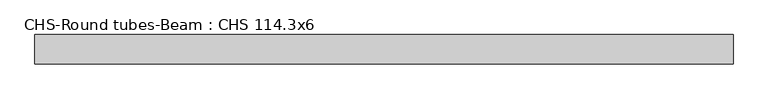
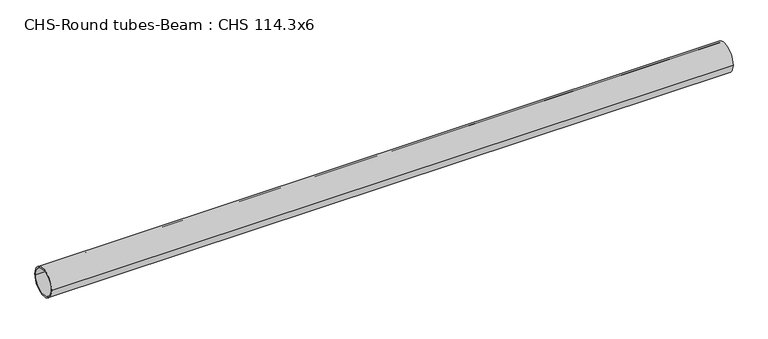
"""IFC4 building model written with IfcOpenShell, lengths in millimetres: beam geometry, CHS-Round tubes-Beam : CHS 114.3x6."""

import ifcopenshell
import ifcopenshell.guid

model = None  # the IFC model being written
_history = None  # IfcOwnerHistory: only IFC2X3 demands one
_inside = {}  # id of a spatial element -> (the spatial element, [elements in it])
_under = {}  # id of a project, library or spatial element -> (it, [spatial elements below it])
_declared = {}  # id of a project -> (the project, [libraries it declares])
_typed = {}  # id of a type object -> (the type object, [elements of that type])
_made_of = {}  # id of a material, layer set ... -> (it, [elements and type objects made of it])


def new_model(schema):
    """Start an empty IFC model of exactly this schema.

    Asked for "IFC4X3", IfcOpenShell would pick the latest addendum, in which some entities
    have other attributes; the version numbers below select the first issue.
    IFC2X3 requires an IfcOwnerHistory on every rooted entity: one is made here for all.
    """
    global model, _history
    if schema == "IFC4X3":
        model = ifcopenshell.file(schema_version=(4, 3, 0, 0))
    else:
        model = ifcopenshell.file(schema=schema)
    _inside.clear()
    _under.clear()
    _declared.clear()
    _typed.clear()
    _made_of.clear()
    _history = None
    if model.schema == "IFC2X3":
        org = make("IfcOrganization", Name="unknown")
        user = make(
            "IfcPersonAndOrganization",
            ThePerson=make("IfcPerson", FamilyName="unknown"),
            TheOrganization=org,
        )
        app = make(
            "IfcApplication",
            ApplicationDeveloper=org,
            Version="unknown",
            ApplicationFullName="unknown",
            ApplicationIdentifier="unknown",
        )
        _history = make(
            "IfcOwnerHistory",
            OwningUser=user,
            OwningApplication=app,
            ChangeAction="ADDED",
            CreationDate=0,
        )
    return model


def make(cls, **values):
    """One entity of the class cls with the attributes given. An attribute that is None is left unset."""
    return model.create_entity(
        cls, **{name: value for name, value in values.items() if value is not None}
    )


def rooted(cls, **values):
    """An entity with a GlobalId (a new one), such as an element, a storey or a relation."""
    return make(cls, GlobalId=ifcopenshell.guid.new(), OwnerHistory=_history, **values)


def si_unit(unit_type, name, prefix=None):
    """IfcSIUnit, for example si_unit("LENGTHUNIT", "METRE", prefix="MILLI")."""
    return make("IfcSIUnit", UnitType=unit_type, Prefix=prefix, Name=name)


def assignment(units):
    """IfcUnitAssignment: the units of a project."""
    return None if units is None else make("IfcUnitAssignment", Units=units)


def point(xyz):
    """IfcCartesianPoint."""
    return None if xyz is None else make("IfcCartesianPoint", Coordinates=xyz)


def direction(xyz):
    """IfcDirection."""
    return None if xyz is None else make("IfcDirection", DirectionRatios=xyz)


def frame(location, z_axis=None, x_axis=None):
    """IfcAxis2Placement3D, a coordinate frame: its origin and axes. An axis left out is left unset."""
    return make(
        "IfcAxis2Placement3D",
        Location=point(location),
        Axis=direction(z_axis),
        RefDirection=direction(x_axis),
    )


def frame_2d(location, x_axis=None):
    """IfcAxis2Placement2D, a coordinate frame in the plane: its origin and x axis."""
    return make(
        "IfcAxis2Placement2D", Location=point(location), RefDirection=direction(x_axis)
    )


def origin():
    """The frame at (0, 0, 0) with its axes left unset."""
    return frame((0.0, 0.0, 0.0))


def origin_2d():
    """The frame at (0, 0) in the plane with its x axis left unset."""
    return frame_2d((0.0, 0.0))


def place(relative_to, where):
    """IfcLocalPlacement: puts the frame where relative to a parent placement (None: the world)."""
    return make(
        "IfcLocalPlacement", PlacementRelTo=relative_to, RelativePlacement=where
    )


def context(
    kind, dimensions, precision=None, world=None, true_north=None, identifier=None
):
    """IfcGeometricRepresentationContext, for example the 3D "Model" context."""
    return make(
        "IfcGeometricRepresentationContext",
        ContextIdentifier=identifier,
        ContextType=kind,
        CoordinateSpaceDimension=dimensions,
        Precision=precision,
        WorldCoordinateSystem=world,
        TrueNorth=true_north,
    )


def project(units=None, contexts=None):
    """IfcProject with its units and contexts."""
    return rooted(
        "IfcProject",
        Name="project",
        RepresentationContexts=contexts,
        UnitsInContext=assignment(units),
    )


def spatial(cls, under=None, at=None, **own):
    """A site, building, storey or space (cls), placed at a placement, below another one or the project."""
    s = rooted(cls, ObjectPlacement=at, **own)
    if under is not None:
        _under.setdefault(under.id(), (under, []))[1].append(s)
    return s


def circle_curve(where, radius):
    """IfcCircle in the frame where."""
    return make("IfcCircle", Position=where, Radius=radius)


def trimmed(basis, trim1, trim2, sense, master):
    """IfcTrimmedCurve: the piece of a basis curve between two trims."""
    return make(
        "IfcTrimmedCurve",
        BasisCurve=basis,
        Trim1=trim1,
        Trim2=trim2,
        SenseAgreement=sense,
        MasterRepresentation=master,
    )


def segment(curve, same_sense, transition):
    """IfcCompositeCurveSegment."""
    return make(
        "IfcCompositeCurveSegment",
        Transition=transition,
        SameSense=same_sense,
        ParentCurve=curve,
    )


def composite_curve(segments, self_intersect=None):
    """IfcCompositeCurve: segments joined end to end."""
    return make("IfcCompositeCurve", Segments=segments, SelfIntersect=self_intersect)


def outline(outer, holes=None, kind="AREA"):
    """IfcArbitraryClosedProfileDef: a profile drawn as a closed curve; with holes, ...WithVoids."""
    if holes is None:
        return make("IfcArbitraryClosedProfileDef", ProfileType=kind, OuterCurve=outer)
    return make(
        "IfcArbitraryProfileDefWithVoids",
        ProfileType=kind,
        OuterCurve=outer,
        InnerCurves=holes,
    )


def extrude(swept, where, along, depth):
    """IfcExtrudedAreaSolid: the profile swept, set in the frame where, extruded along a direction by depth."""
    return make(
        "IfcExtrudedAreaSolid",
        SweptArea=swept,
        Position=where,
        ExtrudedDirection=direction(along),
        Depth=depth,
    )


def shape(context_of_items, identifier, shape_type, items):
    """IfcShapeRepresentation: the items that make up one representation, for example the "Body"."""
    return make(
        "IfcShapeRepresentation",
        ContextOfItems=context_of_items,
        RepresentationIdentifier=identifier,
        RepresentationType=shape_type,
        Items=items,
    )


def source(mapping_origin, context_of_items, identifier, shape_type, items):
    """IfcRepresentationMap: a shape defined once, which mapped items show again and again."""
    return make(
        "IfcRepresentationMap",
        MappingOrigin=mapping_origin,
        MappedRepresentation=shape(context_of_items, identifier, shape_type, items),
    )


def transform(
    local_origin,
    x_axis=None,
    y_axis=None,
    z_axis=None,
    scale=None,
    scale2=None,
    scale3=None,
    uniform=True,
):
    """IfcCartesianTransformationOperator3D, or its non-uniform kind. x_axis, y_axis, z_axis: its Axis1, 2, 3."""
    if uniform:
        return make(
            "IfcCartesianTransformationOperator3D",
            Axis1=direction(x_axis),
            Axis2=direction(y_axis),
            LocalOrigin=point(local_origin),
            Scale=scale,
            Axis3=direction(z_axis),
        )
    return make(
        "IfcCartesianTransformationOperator3DnonUniform",
        Axis1=direction(x_axis),
        Axis2=direction(y_axis),
        LocalOrigin=point(local_origin),
        Scale=scale,
        Axis3=direction(z_axis),
        Scale2=scale2,
        Scale3=scale3,
    )


def mapped(mapping_source, mapping_target):
    """IfcMappedItem: shows the shape of a source again, moved by a transform."""
    return make(
        "IfcMappedItem", MappingSource=mapping_source, MappingTarget=mapping_target
    )


def made_of(thing, what):
    """Note that an element or type object is made of a material, layer set ...; save() writes the relation."""
    if what is not None:
        _made_of.setdefault(what.id(), (what, []))[1].append(thing)
    return thing


def element(
    cls,
    number,
    at=None,
    inside=None,
    cuts=None,
    type_object=None,
    material=None,
    context=None,
    identifier="Body",
    shape_type=None,
    held_by="IfcProductDefinitionShape",
    body=None,
    shapes=None,
    **own,
):
    """One element of the class cls, such as IfcWall. Its Tag is "e" and its number.

    at: its placement. inside: the storey or other place that contains it. cuts: it is an
    opening in that element (IfcRelVoidsElement). A single representation is given by context,
    identifier, shape_type and body (its items); several are given by shapes. held_by: the class
    of the entity that holds the representations. save() writes the other relations.
    """
    e = rooted(cls, Tag="e%d" % number, ObjectPlacement=at, **own)
    if body is not None:
        shapes = [shape(context, identifier, shape_type, body)]
    if shapes is not None:
        e.Representation = make(held_by, Representations=shapes)
    if inside is not None:
        _inside.setdefault(inside.id(), (inside, []))[1].append(e)
    if cuts is not None:
        rooted(
            "IfcRelVoidsElement", RelatingBuildingElement=cuts, RelatedOpeningElement=e
        )
    if type_object is not None:
        _typed.setdefault(type_object.id(), (type_object, []))[1].append(e)
    return made_of(e, material)


def aggregate(whole, parts):
    """IfcRelAggregates: a whole, such as a stair, and the parts it consists of."""
    return rooted("IfcRelAggregates", RelatingObject=whole, RelatedObjects=parts)


def save(model, path):
    """Write the relations noted so far, then the file.

    IfcRelAggregates (storeys below a building ...), IfcRelContainedInSpatialStructure (elements
    in a storey), IfcRelDefinesByType, IfcRelAssociatesMaterial and IfcRelDeclares: one each for
    every whole, place, type object, material and project.
    """
    for whole, parts in _under.values():
        aggregate(whole, parts)
    for where, things in _inside.values():
        rooted(
            "IfcRelContainedInSpatialStructure",
            RelatedElements=things,
            RelatingStructure=where,
        )
    for kind, things in _typed.values():
        rooted("IfcRelDefinesByType", RelatedObjects=things, RelatingType=kind)
    for what, things in _made_of.values():
        rooted("IfcRelAssociatesMaterial", RelatedObjects=things, RelatingMaterial=what)
    for by, libraries in _declared.values():
        rooted("IfcRelDeclares", RelatingContext=by, RelatedDefinitions=libraries)
    model.write(path)


def chs_round_tubes_beam_chs_114_3x6_a82de51f(model_context):
    return source(origin(), model_context, "Body", "SweptSolid", [
        extrude(outline(composite_curve([segment(trimmed(circle_curve(origin_2d(), 57.15), [point((57.15, 0.0))], [point((-57.15, 0.0))], False, "CARTESIAN"), True, "CONTINUOUS"), segment(trimmed(circle_curve(origin_2d(), 57.15), [point((-57.15, 0.0))], [point((57.15, 0.0))], False, "CARTESIAN"), True, "CONTINUOUS")], self_intersect=False), holes=[composite_curve([segment(trimmed(circle_curve(origin_2d(), 51.15), [point((51.15, 0.0))], [point((-51.15, 0.0))], True, "CARTESIAN"), True, "CONTINUOUS"), segment(trimmed(circle_curve(origin_2d(), 51.15), [point((-51.15, 0.0))], [point((51.15, 0.0))], True, "CARTESIAN"), True, "CONTINUOUS")], self_intersect=False)]), frame((-1343.7958969, 0.0, 0.0), z_axis=(1.0, 0.0, 0.0), x_axis=(0.0, 1.0, 0.0)), (0.0, 0.0, 1.0), 2701.6275725),
    ])


if __name__ == "__main__":
    model = new_model("IFC4")
    model_context = context("Model", 3, world=origin())
    ifc_project = project(units=[si_unit("LENGTHUNIT", "METRE", prefix="MILLI")], contexts=[model_context])
    site = spatial("IfcSite", under=ifc_project)
    building = spatial("IfcBuilding", under=site)
    placement = place(None, origin())
    chs_round_tubes_beam_chs_114_3x6_shape = chs_round_tubes_beam_chs_114_3x6_a82de51f(model_context)
    element("IfcBeam", 1, ObjectType="CHS-Round tubes-Beam : CHS 114.3x6", at=placement, inside=building, context=model_context, shape_type="MappedRepresentation", body=[
        mapped(chs_round_tubes_beam_chs_114_3x6_shape, transform((0.0, 0.0, 0.0), x_axis=(1.0, 0.0, 0.0), y_axis=(0.0, 1.0, 0.0), z_axis=(0.0, 0.0, 1.0))),
    ])
    save(model, "model.ifc")
